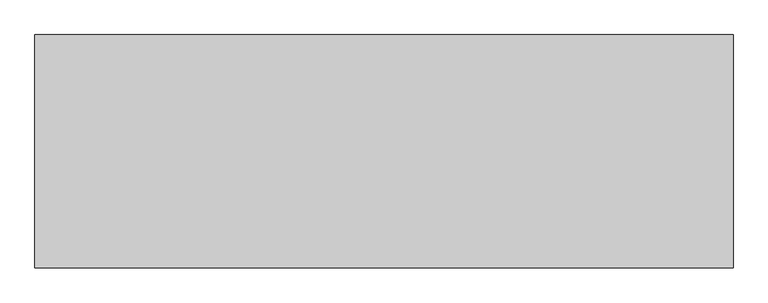
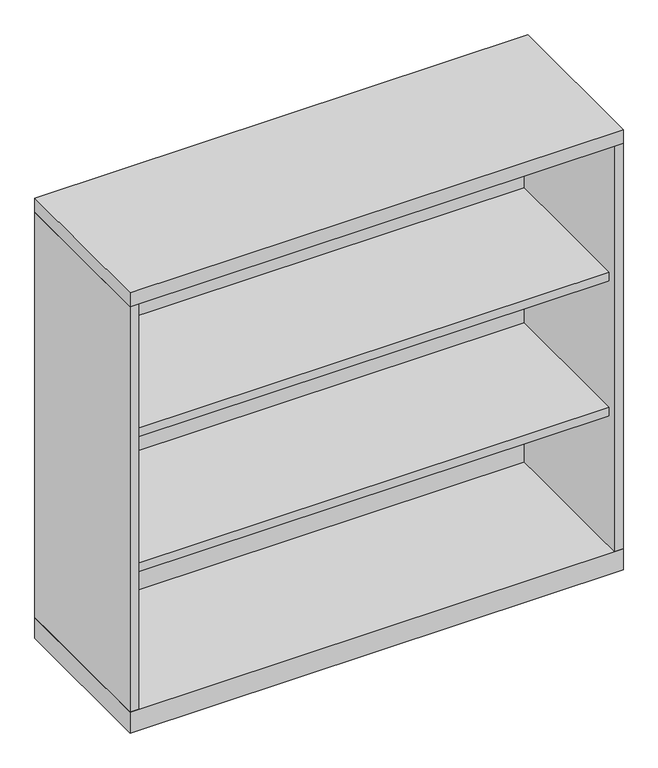
"""IFC4 building model written with IfcOpenShell, lengths in millimetres: furniture geometry."""

from ifc_helpers import new_model, si_unit, frame, origin, origin_with_axes, place, context, project, spatial, polyline, outline, extrude, source, transform, mapped, element, save


def furniture_9a25c5af(model_context):
    return source(origin(), model_context, "Body", "SweptSolid", [
        extrude(outline(polyline([(512.7625, -19.05), (512.7625, -336.55), (-512.7625, -336.55), (-512.7625, -19.05), (512.7625, -19.05)])), frame((0.0, 0.0, 654.05), z_axis=(0.0, 0.0, 1.0), x_axis=(1.0, 0.0, 0.0)), (0.0, 0.0, 1.0), 19.05),
        extrude(outline(polyline([(512.7625, -19.05), (512.7625, -336.55), (-512.7625, -336.55), (-512.7625, -19.05), (512.7625, -19.05)])), frame((0.0, 0.0, 346.075), z_axis=(0.0, 0.0, 1.0), x_axis=(1.0, 0.0, 0.0)), (0.0, 0.0, 1.0), 19.05),
        extrude(outline(polyline([(531.8125, 0.0), (531.8125, -355.6), (-531.8125, -355.6), (-531.8125, 0.0), (531.8125, 0.0)])), origin_with_axes(), (0.0, 0.0, 1.0), 47.625),
        extrude(outline(polyline([(531.8125, 0.0), (531.8125, -355.6), (-531.8125, -355.6), (-531.8125, 0.0), (531.8125, 0.0)])), frame((0.0, 0.0, 971.55), z_axis=(0.0, 0.0, 1.0), x_axis=(1.0, 0.0, 0.0)), (0.0, 0.0, 1.0), 31.75),
        extrude(outline(polyline([(531.8125, 0.0), (531.8125, -355.6), (512.7625, -355.6), (512.7625, -19.05), (-512.7625, -19.05), (-512.7625, -355.6), (-531.8125, -355.6), (-531.8125, 0.0), (531.8125, 0.0)])), frame((0.0, 0.0, 47.625), z_axis=(0.0, 0.0, 1.0), x_axis=(1.0, 0.0, 0.0)), (0.0, 0.0, 1.0), 923.925),
    ])


if __name__ == "__main__":
    model = new_model("IFC4")
    model_context = context("Model", 3, world=origin())
    ifc_project = project(units=[si_unit("LENGTHUNIT", "METRE", prefix="MILLI")], contexts=[model_context])
    site = spatial("IfcSite", under=ifc_project)
    building = spatial("IfcBuilding", under=site)
    placement = place(None, origin())
    furniture_shape = furniture_9a25c5af(model_context)
    element("IfcFurniture", 1, at=placement, inside=building, context=model_context, shape_type="MappedRepresentation", body=[
        mapped(furniture_shape, transform((0.0, 0.0, 0.0), x_axis=(1.0, 0.0, 0.0), y_axis=(0.0, 1.0, 0.0), z_axis=(0.0, 0.0, 1.0))),
    ])
    save(model, "model.ifc")
